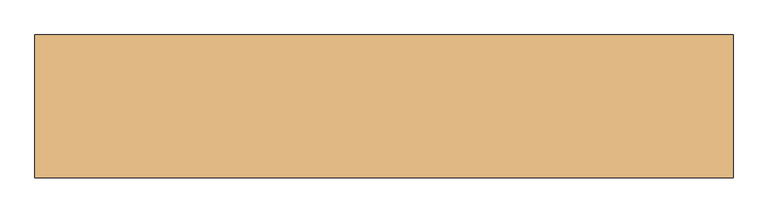
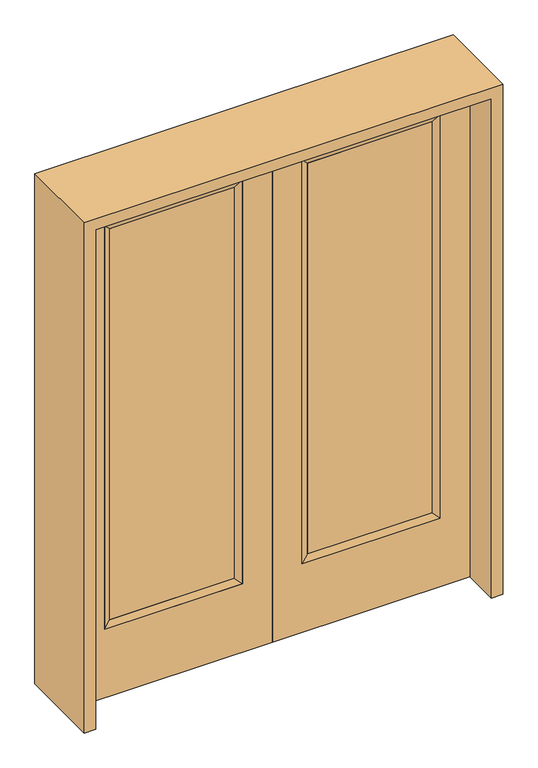
"""IFC4 building model written with IfcOpenShell, lengths in millimetres: door geometry."""

from ifc_helpers import new_model, si_unit, frame, origin, place, context, project, spatial, polyline, outline, extrude, faceted_brep, source, transform, mapped, element, save


def door_d08fa89c(model_context):
    return source(origin(), model_context, "Body", "SolidModel", [
        extrude(outline(polyline([(140.8176, -12.7039749), (140.8176, 14.2875), (621.1824, 14.2875), (621.1824, -12.7039749), (140.8176, -12.7039749)])), frame((0.0, 0.0, 304.8), z_axis=(0.0, 0.0, 1.0), x_axis=(1.0, 0.0, 0.0)), (0.0, 0.0, 1.0), 1590.675),
        faceted_brep([(140.8176, 14.2875, 1895.475), (140.8176, 14.2875, 304.8), (115.4176, 22.225, 279.4), (115.4176, 22.225, 1920.875), (115.4176, -22.225, 279.4), (115.4176, -22.225, 1920.875), (621.1824, 14.2875, 304.8), (646.5824, 22.225, 279.4), (140.8176, -12.7039749, 1895.475), (140.8176, -12.7039749, 304.8), (621.1824, -12.7039749, 304.8), (646.5824, -22.225, 279.4), (621.1824, 14.2875, 1895.475), (646.5824, 22.225, 1920.875), (621.1824, -12.7039749, 1895.475), (646.5824, -22.225, 1920.875)], [[[0, 1, 2, 3]], [[3, 2, 4, 5]], [[1, 6, 7, 2]], [[8, 9, 1, 0]], [[9, 10, 6, 1]], [[5, 4, 9, 8]], [[4, 11, 10, 9]], [[2, 7, 11, 4]], [[6, 12, 13, 7]], [[10, 14, 12, 6]], [[11, 15, 14, 10]], [[7, 13, 15, 11]], [[12, 0, 3, 13]], [[14, 8, 0, 12]], [[15, 5, 8, 14]], [[13, 3, 5, 15]]]),
        extrude(outline(polyline([(0.0, 762.0), (2032.0, 762.0), (2032.0, 0.0), (0.0, 0.0), (0.0, 762.0)]), holes=[polyline([(279.4, 646.5824), (279.4, 115.4176), (1920.875, 115.4176), (1920.875, 646.5824), (279.4, 646.5824)])]), frame((0.0, -22.225, 0.0), z_axis=(0.0, 1.0, 0.0), x_axis=(0.0, 0.0, 1.0)), (0.0, 0.0, 1.0), 44.45),
        extrude(outline(polyline([(-140.8176, -12.7039749), (-621.1824, -12.7039749), (-621.1824, 14.2875), (-140.8176, 14.2875), (-140.8176, -12.7039749)])), frame((0.0, 0.0, 304.8), z_axis=(0.0, 0.0, 1.0), x_axis=(1.0, 0.0, 0.0)), (0.0, 0.0, 1.0), 1590.675),
        faceted_brep([(-140.8176, 14.2875, 1895.475), (-115.4176, 22.225, 1920.875), (-115.4176, 22.225, 279.4), (-140.8176, 14.2875, 304.8), (-115.4176, -22.225, 1920.875), (-115.4176, -22.225, 279.4), (-646.5824, 22.225, 279.4), (-621.1824, 14.2875, 304.8), (-140.8176, -12.7039749, 1895.475), (-140.8176, -12.7039749, 304.8), (-621.1824, -12.7039749, 304.8), (-646.5824, -22.225, 279.4), (-646.5824, 22.225, 1920.875), (-621.1824, 14.2875, 1895.475), (-621.1824, -12.7039749, 1895.475), (-646.5824, -22.225, 1920.875)], [[[0, 1, 2, 3]], [[1, 4, 5, 2]], [[3, 2, 6, 7]], [[8, 0, 3, 9]], [[9, 3, 7, 10]], [[4, 8, 9, 5]], [[5, 9, 10, 11]], [[2, 5, 11, 6]], [[7, 6, 12, 13]], [[10, 7, 13, 14]], [[11, 10, 14, 15]], [[6, 11, 15, 12]], [[13, 12, 1, 0]], [[14, 13, 0, 8]], [[15, 14, 8, 4]], [[12, 15, 4, 1]]]),
        extrude(outline(polyline([(0.0, -762.0), (0.0, 0.0), (2032.0, 0.0), (2032.0, -762.0), (0.0, -762.0)]), holes=[polyline([(279.4, -646.5824), (1920.875, -646.5824), (1920.875, -115.4176), (279.4, -115.4176), (279.4, -646.5824)])]), frame((0.0, -22.225, 0.0), z_axis=(0.0, 1.0, 0.0), x_axis=(0.0, 0.0, 1.0)), (0.0, 0.0, 1.0), 44.45),
        extrude(outline(polyline([(2076.45, -806.45), (0.0, -806.45), (0.0, -762.0), (2032.0, -762.0), (2032.0, 762.0), (0.0, 762.0), (0.0, 806.45), (2076.45, 806.45), (2076.45, -806.45)])), frame((0.0, -165.1, 0.0), z_axis=(0.0, 1.0, 0.0), x_axis=(0.0, 0.0, 1.0)), (0.0, 0.0, 1.0), 330.2),
    ])


if __name__ == "__main__":
    model = new_model("IFC4")
    model_context = context("Model", 3, world=origin())
    ifc_project = project(units=[si_unit("LENGTHUNIT", "METRE", prefix="MILLI")], contexts=[model_context])
    site = spatial("IfcSite", under=ifc_project)
    building = spatial("IfcBuilding", under=site)
    placement = place(None, origin())
    door_shape = door_d08fa89c(model_context)
    element("IfcDoor", 1, at=placement, inside=building, context=model_context, shape_type="MappedRepresentation", body=[
        mapped(door_shape, transform((0.0, 0.0, 0.0), x_axis=(1.0, 0.0, 0.0), y_axis=(0.0, 1.0, 0.0), z_axis=(0.0, 0.0, 1.0))),
    ])
    save(model, "model.ifc")
